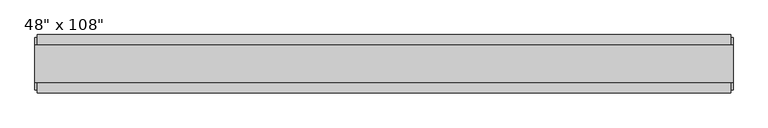
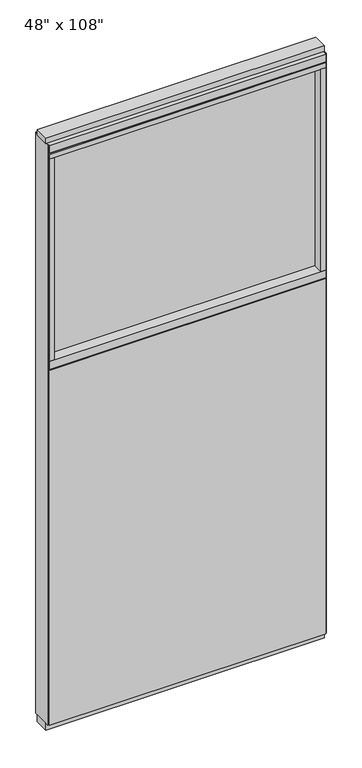
"""IFC4 building model written with IfcOpenShell, lengths in millimetres: furniture geometry."""

from ifc_helpers import new_model, si_unit, frame, origin, origin_with_axes, place, context, project, spatial, polyline, outline, extrude, source, transform, mapped, element, save


def furniture_113105c2(model_context):
    return source(origin(), model_context, "Body", "SweptSolid", [
        extrude(outline(polyline([(545.6264771, 46.2822784), (545.6264771, 33.5822784), (-665.6995229, 33.5822784), (-665.6995229, 46.2822784), (545.6264771, 46.2822784)])), frame((0.0, 0.0, 31.75), z_axis=(0.0, 0.0, 1.0), x_axis=(1.0, 0.0, 0.0)), (0.0, 0.0, 1.0), 1644.65),
        extrude(outline(polyline([(545.6264771, -55.3177216), (-665.6995229, -55.3177216), (-665.6995229, -42.6177216), (545.6264771, -42.6177216), (545.6264771, -55.3177216)])), frame((0.0, 0.0, 31.75), z_axis=(0.0, 0.0, 1.0), x_axis=(1.0, 0.0, 0.0)), (0.0, 0.0, 1.0), 1644.65),
        extrude(outline(polyline([(523.4014771, -9.5977216), (-643.4745229, -9.5977216), (-643.4745229, 0.5622784), (523.4014771, 0.5622784), (523.4014771, -9.5977216)])), frame((0.0, 0.0, 1717.675), z_axis=(0.0, 0.0, 1.0), x_axis=(1.0, 0.0, 0.0)), (0.0, 0.0, 1.0), 936.625),
        extrude(outline(polyline([(523.4014771, -55.3177216), (523.4014771, 46.2822784), (545.6264771, 46.2822784), (545.6264771, -55.3177216), (523.4014771, -55.3177216)])), frame((0.0, 0.0, 1717.675), z_axis=(0.0, 0.0, 1.0), x_axis=(1.0, 0.0, 0.0)), (0.0, 0.0, 1.0), 936.625),
        extrude(outline(polyline([(-55.3177216, 1681.353), (-55.3177216, 1717.675), (46.2822784, 1717.675), (46.2822784, 1681.353), (41.3292784, 1681.353), (41.3292784, 1676.4), (-50.3647216, 1676.4), (-50.3647216, 1681.353), (-55.3177216, 1681.353)])), frame((-665.6995229, 0.0, 0.0), z_axis=(1.0, 0.0, 0.0), x_axis=(0.0, 1.0, 0.0)), (0.0, 0.0, 1.0), 1211.326),
        extrude(outline(polyline([(-643.4745229, -55.3177216), (-665.6995229, -55.3177216), (-665.6995229, 46.2822784), (-643.4745229, 46.2822784), (-643.4745229, -55.3177216)])), frame((0.0, 0.0, 1717.675), z_axis=(0.0, 0.0, 1.0), x_axis=(1.0, 0.0, 0.0)), (0.0, 0.0, 1.0), 936.625),
        extrude(outline(polyline([(549.5634771, 27.9942784), (549.5634771, -37.0297216), (-669.6365229, -37.0297216), (-669.6365229, 27.9942784), (549.5634771, 27.9942784)])), origin_with_axes(), (0.0, 0.0, 1.0), 31.75),
        extrude(outline(polyline([(-669.6365229, -37.0297216), (-669.6365229, 27.9942784), (549.5634771, 27.9942784), (549.5634771, -37.0297216), (-669.6365229, -37.0297216)])), frame((0.0, 0.0, 2717.8), z_axis=(0.0, 0.0, 1.0), x_axis=(1.0, 0.0, 0.0)), (0.0, 0.0, 1.0), 25.4),
        extrude(outline(polyline([(-55.3177216, 2681.478), (-55.3177216, 2717.8), (46.2822784, 2717.8), (46.2822784, 2681.478), (41.3292784, 2681.478), (41.3292784, 2676.525), (-50.3647216, 2676.525), (-50.3647216, 2681.478), (-55.3177216, 2681.478)])), frame((-665.6995229, 0.0, 0.0), z_axis=(1.0, 0.0, 0.0), x_axis=(0.0, 1.0, 0.0)), (0.0, 0.0, 1.0), 1211.326),
        extrude(outline(polyline([(545.6264771, 46.2822784), (545.6264771, -55.3177216), (-665.6995229, -55.3177216), (-665.6995229, 46.2822784), (545.6264771, 46.2822784)])), frame((0.0, 0.0, 2654.3), z_axis=(0.0, 0.0, 1.0), x_axis=(1.0, 0.0, 0.0)), (0.0, 0.0, 1.0), 22.225),
        extrude(outline(polyline([(549.5634771, -50.3647216), (545.6264771, -50.3647216), (545.6264771, 41.3292784), (549.5634771, 41.3292784), (549.5634771, -50.3647216)])), frame((0.0, 0.0, 31.75), z_axis=(0.0, 0.0, 1.0), x_axis=(1.0, 0.0, 0.0)), (0.0, 0.0, 1.0), 2686.05),
        extrude(outline(polyline([(-669.6365229, -50.3647216), (-669.6365229, 41.3292784), (-665.6995229, 41.3292784), (-665.6995229, -50.3647216), (-669.6365229, -50.3647216)])), frame((0.0, 0.0, 31.75), z_axis=(0.0, 0.0, 1.0), x_axis=(1.0, 0.0, 0.0)), (0.0, 0.0, 1.0), 2686.05),
    ])


if __name__ == "__main__":
    model = new_model("IFC4")
    model_context = context("Model", 3, world=origin())
    ifc_project = project(units=[si_unit("LENGTHUNIT", "METRE", prefix="MILLI")], contexts=[model_context])
    site = spatial("IfcSite", under=ifc_project)
    building = spatial("IfcBuilding", under=site)
    placement = place(None, origin())
    furniture_shape = furniture_113105c2(model_context)
    element("IfcFurniture", 1, ObjectType="48\" x 108\"", at=placement, inside=building, context=model_context, shape_type="MappedRepresentation", body=[
        mapped(furniture_shape, transform((0.0, 0.0, 0.0), x_axis=(1.0, 0.0, 0.0), y_axis=(0.0, 1.0, 0.0), z_axis=(0.0, 0.0, 1.0))),
    ])
    save(model, "model.ifc")
